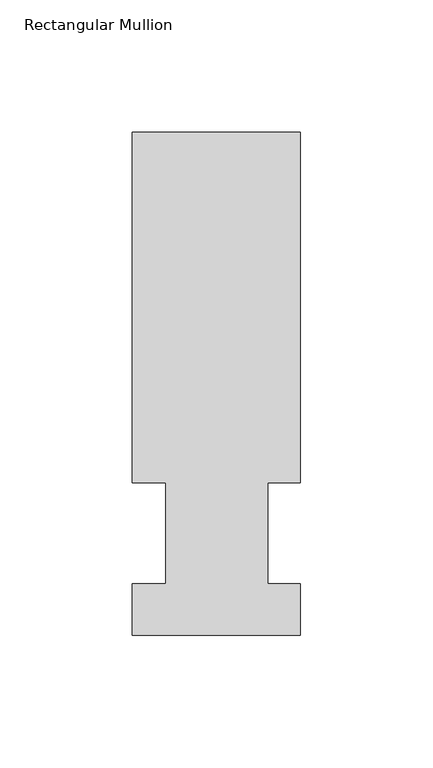
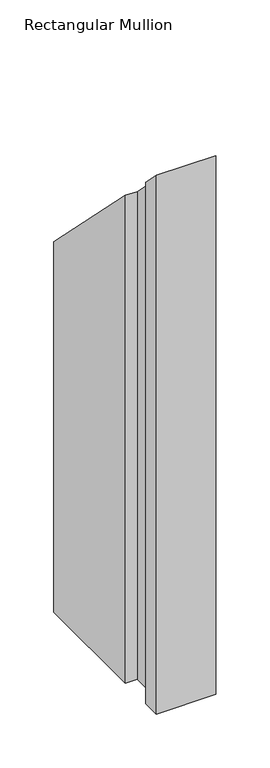
"""IFC4 building model written with IfcOpenShell, lengths in millimetres: member geometry, Rectangular Mullion."""

from ifc_helpers import new_model, si_unit, origin, place, context, project, spatial, faceted_brep, source, transform, mapped, element, save


def rectangular_mullion_ef92eeb2(model_context):
    return source(origin(), model_context, "Body", "Brep", [
        faceted_brep([(-63.5, 57.6460937, -609.56825), (-63.5, 190.0816937, -609.56825), (0.0, 190.0816937, -609.56825), (0.0, 57.6460937, -609.56825), (-12.3418395, 57.6460937, -609.56825), (-12.3418395, 19.5460937, -609.56825), (0.0, 19.5460937, -609.56825), (0.0, 0.0134938, -609.56825), (-63.5, 0.0134938, -609.56825), (-63.5, 19.5460937, -609.56825), (-50.8, 19.5460937, -609.56825), (-50.8, 57.6460937, -609.56825), (-50.8, 57.6460937, -57.6460937), (-63.5, 57.6460937, -57.6460937), (-50.8, 19.5460937, -19.5460937), (-63.5, 19.5460937, -19.5460937), (-63.5, 0.0134938, -0.0134938), (0.0, 0.0134938, -0.0134938), (0.0, 19.5460937, -19.5460937), (-12.3418395, 19.5460937, -19.5460937), (-12.3418395, 57.6460937, -57.6460937), (0.0, 57.6460937, -57.6460937), (0.0, 190.0816937, -190.0816937), (-63.5, 190.0816937, -190.0816937)], [[[0, 1, 2, 3, 4, 5, 6, 7, 8, 9, 10, 11]], [[12, 13, 0, 11]], [[14, 12, 11, 10]], [[15, 14, 10, 9]], [[16, 15, 9, 8]], [[17, 16, 8, 7]], [[18, 17, 7, 6]], [[19, 18, 6, 5]], [[20, 19, 5, 4]], [[21, 20, 4, 3]], [[22, 21, 3, 2]], [[23, 22, 2, 1]], [[13, 23, 1, 0]], [[13, 12, 14, 15, 16, 17, 18, 19, 20, 21, 22, 23]]]),
    ])


if __name__ == "__main__":
    model = new_model("IFC4")
    model_context = context("Model", 3, world=origin())
    ifc_project = project(units=[si_unit("LENGTHUNIT", "METRE", prefix="MILLI")], contexts=[model_context])
    site = spatial("IfcSite", under=ifc_project)
    building = spatial("IfcBuilding", under=site)
    placement = place(None, origin())
    rectangular_mullion_shape = rectangular_mullion_ef92eeb2(model_context)
    element("IfcMember", 1, ObjectType="Rectangular Mullion", at=placement, inside=building, context=model_context, shape_type="MappedRepresentation", body=[
        mapped(rectangular_mullion_shape, transform((0.0, 0.0, 0.0), x_axis=(1.0, 0.0, 0.0), y_axis=(0.0, 1.0, 0.0), z_axis=(0.0, 0.0, 1.0))),
    ])
    save(model, "model.ifc")
